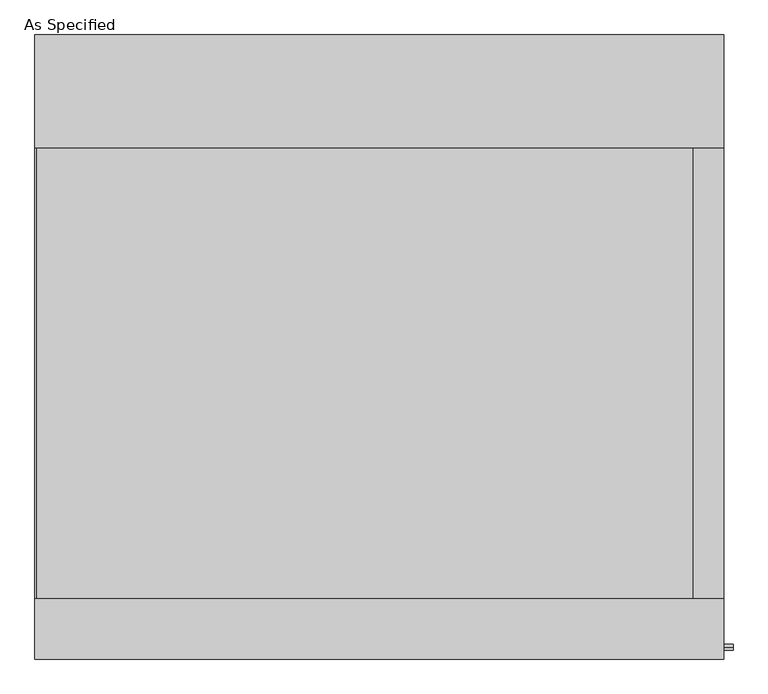
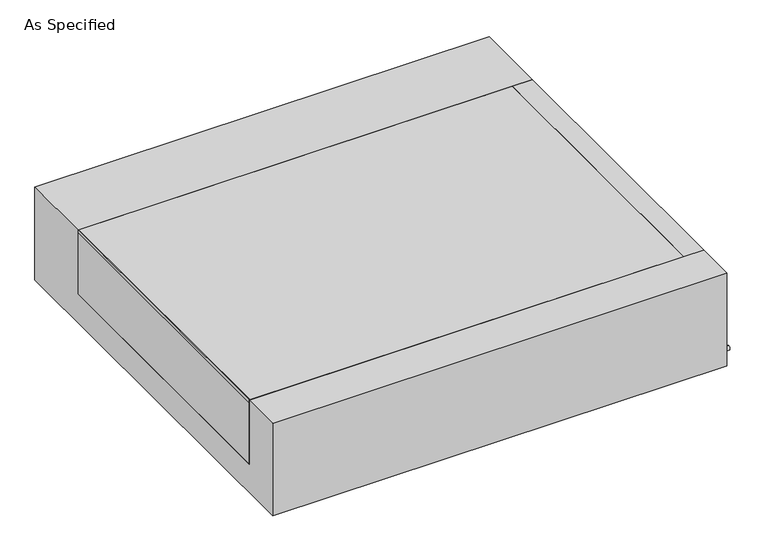
"""IFC4 building model written with IfcOpenShell, lengths in millimetres: proxy geometry, As Specified."""

from ifc_helpers import new_model, si_unit, point, frame, frame_2d, origin, place, context, project, spatial, polyline, circle_curve, trimmed, segment, composite_curve, outline, extrude, source, transform, mapped, element, save


def as_specified_8c1a215e(model_context):
    return source(origin(), model_context, "Body", "SweptSolid", [
        extrude(outline(composite_curve([segment(trimmed(circle_curve(frame_2d((-1017.5875, -466.725)), 10.5), [point((-1017.5875, -456.225))], [point((-1017.5875, -477.225))], False, "CARTESIAN"), True, "CONTINUOUS"), segment(trimmed(circle_curve(frame_2d((-1017.5875, -466.725)), 10.5), [point((-1017.5875, -477.225))], [point((-1017.5875, -456.225))], False, "CARTESIAN"), True, "CONTINUOUS")], self_intersect=False)), frame((1166.8125, 0.0, 0.0), z_axis=(1.0, 0.0, 0.0), x_axis=(0.0, 1.0, 0.0)), (0.0, 0.0, 1.0), 31.8403384),
        extrude(outline(polyline([(1064.41875, -850.9), (1064.41875, 673.1), (1166.8125, 673.1), (1166.8125, -850.9), (1064.41875, -850.9)])), frame((0.0, 0.0, -373.0625), z_axis=(0.0, 0.0, 1.0), x_axis=(1.0, 0.0, 0.0)), (0.0, 0.0, 1.0), 347.6625),
        extrude(outline(polyline([(-1162.84375, -850.9), (-1166.8125, -850.9), (-1166.8125, 673.1), (-1162.84375, 673.1), (-1162.84375, -850.9)])), frame((0.0, 0.0, -39.6875), z_axis=(0.0, 0.0, 1.0), x_axis=(1.0, 0.0, 0.0)), (0.0, 0.0, 1.0), 14.2875),
        extrude(outline(polyline([(1064.41875, 673.1), (1064.41875, -850.9), (-1166.8125, -850.9), (-1166.8125, 673.1), (1064.41875, 673.1)])), frame((0.0, 0.0, -373.0625), z_axis=(0.0, 0.0, 1.0), x_axis=(1.0, 0.0, 0.0)), (0.0, 0.0, 1.0), 347.6625),
        extrude(outline(polyline([(1057.275, -25.4), (1057.275, -530.225), (-1057.275, -530.225), (-1057.275, -25.4), (-850.9, -25.4), (-850.9, -373.0625), (673.1, -373.0625), (673.1, -25.4), (1057.275, -25.4)])), frame((-1166.8125, 0.0, 0.0), z_axis=(1.0, 0.0, 0.0), x_axis=(0.0, 1.0, 0.0)), (0.0, 0.0, 1.0), 2333.625),
    ])


if __name__ == "__main__":
    model = new_model("IFC4")
    model_context = context("Model", 3, world=origin())
    ifc_project = project(units=[si_unit("LENGTHUNIT", "METRE", prefix="MILLI")], contexts=[model_context])
    site = spatial("IfcSite", under=ifc_project)
    building = spatial("IfcBuilding", under=site)
    placement = place(None, origin())
    as_specified_shape = as_specified_8c1a215e(model_context)
    element("IfcBuildingElementProxy", 1, Name="As Specified", ObjectType="As Specified", at=placement, inside=building, context=model_context, shape_type="MappedRepresentation", body=[
        mapped(as_specified_shape, transform((0.0, 0.0, 0.0), x_axis=(1.0, 0.0, 0.0), y_axis=(0.0, 1.0, 0.0), z_axis=(0.0, 0.0, 1.0))),
    ])
    save(model, "model.ifc")
